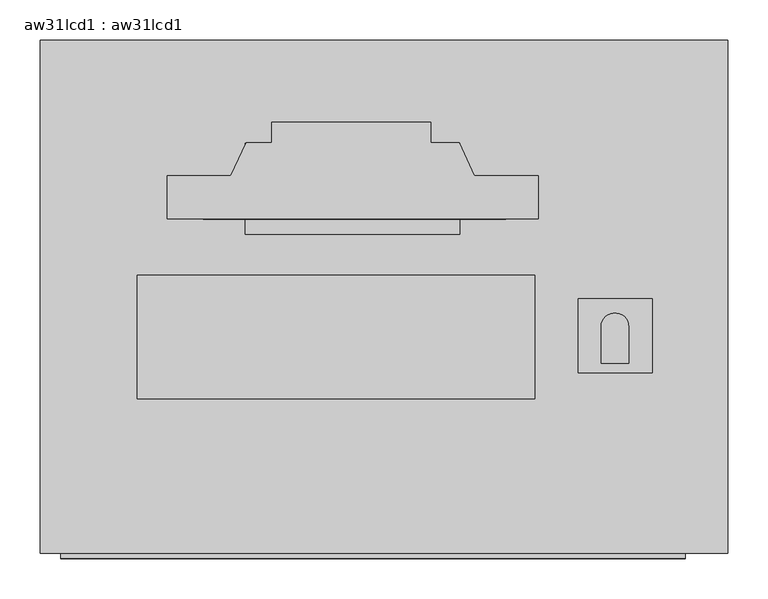
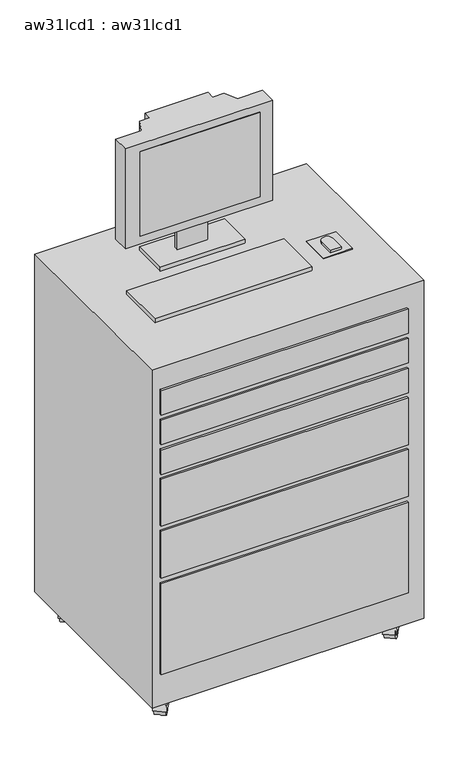
"""IFC4 building model written with IfcOpenShell, lengths in millimetres: proxy geometry, aw31lcd1 : aw31lcd1."""

from ifc_helpers import new_model, si_unit, point, frame, frame_2d, origin, place, context, project, spatial, polyline, circle_curve, trimmed, segment, composite_curve, outline, extrude, faceted_brep, source, transform, mapped, element, save


def aw31lcd1_aw31lcd1_875e6ec7(model_context):
    return source(origin(), model_context, "Body", "SolidModel", [
        extrude(outline(polyline([(11.3204069, -2.1499254), (385.9704069, -2.1499254), (385.9704069, -5.476148), (11.3204069, -5.476148), (11.3204069, -2.1499254)])), frame((0.0, 0.0, 1278.3308248), z_axis=(0.0, 0.0, 1.0), x_axis=(1.0, 0.0, 0.0)), (0.0, 0.0, 1.0), 279.4),
        extrude(outline(polyline([(11.3204069, 10.9978045), (385.9704069, 10.9978045), (385.9704069, 3.998727), (11.3204069, 3.998727), (11.3204069, 10.9978045)])), frame((0.0, 0.0, 1278.3308248), z_axis=(0.0, 0.0, 1.0), x_axis=(1.0, 0.0, 0.0)), (0.0, 0.0, 1.0), 279.4),
        extrude(outline(polyline([(566.8529791, -103.6582011), (566.8529791, -195.5987822), (475.4784271, -195.5987822), (475.4784271, -103.6582011), (566.8529791, -103.6582011)])), frame((0.0, 0.0, 1155.7), z_axis=(0.0, 0.0, 1.0), x_axis=(1.0, 0.0, 0.0)), (0.0, 0.0, 1.0), 2.9133962),
        extrude(outline(composite_curve([segment(trimmed(circle_curve(frame_2d((520.8651108, -138.5749128)), 17.0826805), [point((503.7824304, -138.5749128))], [point((537.9477913, -138.5749128))], False, "CARTESIAN"), True, "CONTINUOUS"), segment(polyline([(537.9477913, -138.5749128), (537.9477913, -183.8689655), (503.7824304, -183.8689655), (503.7824304, -138.5749128)]), True, "CONTINUOUS")], self_intersect=False)), frame((0.0, 0.0, 1158.6133962), z_axis=(0.0, 0.0, 1.0), x_axis=(1.0, 0.0, 0.0)), (0.0, 0.0, 1.0), 9.3019768),
        extrude(outline(polyline([(421.683969, -227.6226119), (-70.2947271, -227.6226119), (-70.2947271, -74.6176866), (421.683969, -74.6176866), (421.683969, -227.6226119)])), frame((0.0, 0.0, 1155.7), z_axis=(0.0, 0.0, 1.0), x_axis=(1.0, 0.0, 0.0)), (0.0, 0.0, 1.0), 12.2153731),
        extrude(outline(polyline([(328.9761644, -24.13), (63.4041467, -24.13), (63.4041467, 88.3361171), (328.9761644, 88.3361171), (328.9761644, -24.13)])), frame((0.0, 0.0, 1155.7), z_axis=(0.0, 0.0, 1.0), x_axis=(1.0, 0.0, 0.0)), (0.0, 0.0, 1.0), 12.2153731),
        extrude(outline(polyline([(240.0761644, 24.8549459), (144.8261644, 24.8549459), (144.8261644, 37.5361171), (240.0761644, 37.5361171), (240.0761644, 24.8549459)])), frame((0.0, 0.0, 1167.9153731), z_axis=(0.0, 0.0, 1.0), x_axis=(1.0, 0.0, 0.0)), (0.0, 0.0, 1.0), 83.6809533),
        extrude(outline(polyline([(-33.6750377, -5.08), (-33.6750377, 48.26), (45.4860159, 48.26), (64.4367591, 88.9), (95.8649623, 88.9), (95.8649623, 114.3), (292.7149623, 114.3), (292.7149623, 88.9), (327.9531654, 88.9), (346.9039086, 48.26), (426.0649623, 48.26), (426.0649623, -5.08), (-33.6750377, -5.08)])), frame((0.0, 0.0, 1251.5963264), z_axis=(0.0, 0.0, 1.0), x_axis=(1.0, 0.0, 0.0)), (0.0, 0.0, 1.0), 330.8236736),
        extrude(outline(composite_curve([segment(trimmed(circle_curve(frame_2d((0.0, -25.7612182)), 25.7612183), [point((0.0, -51.5224365))], [point((0.0, 0.0))], False, "CARTESIAN"), True, "CONTINUOUS"), segment(trimmed(circle_curve(frame_2d((0.0, -25.7612182)), 25.7612183), [point((0.0, 0.0))], [point((0.0, -51.5224365))], False, "CARTESIAN"), True, "CONTINUOUS")], self_intersect=False)), frame((-98.5794195, 161.7340806, -13.9262817), z_axis=(-0.7771459614569454, 0.6293203910498689, 0.0), x_axis=(0.0, 0.0, 1.0)), (0.0, 0.0, 1.0), 31.75),
        extrude(outline(composite_curve([segment(polyline([(-57.1058785, 0.0), (-0.6783151, 0.0)]), True, "CONTINUOUS"), segment(trimmed(circle_curve(frame_2d((-28.8920967, 0.0)), 28.2137817), [point((-0.6783151, 0.0))], [point((-57.1058785, 0.0))], False, "CARTESIAN"), True, "CONTINUOUS")], self_intersect=False)), frame((-94.1416554, 162.1691379, -13.9262817), z_axis=(-0.7771459614569454, 0.6293203910498689, 0.0), x_axis=(0.6293203910498689, 0.7771459614569454, 0.0)), (0.0, 0.0, 1.0), 38.1),
        extrude(outline(composite_curve([segment(trimmed(circle_curve(frame_2d((-127.1280789, 151.7038351)), 3.5091751), [point((-129.8552201, 153.9122305))], [point((-124.4009376, 149.4954397))], False, "CARTESIAN"), True, "CONTINUOUS"), segment(trimmed(circle_curve(frame_2d((-127.1280789, 151.7038351)), 3.5091751), [point((-124.4009376, 149.4954397))], [point((-129.8552201, 153.9122305))], False, "CARTESIAN"), True, "CONTINUOUS")], self_intersect=False)), frame((0.0, 0.0, 14.2875), z_axis=(0.0, 0.0, 1.0), x_axis=(1.0, 0.0, 0.0)), (0.0, 0.0, 1.0), 13.49375),
        extrude(outline(composite_curve([segment(trimmed(circle_curve(frame_2d((0.0, -25.7612182)), 25.7612183), [point((0.0, -51.5224365))], [point((0.0, 0.0))], False, "CARTESIAN"), True, "CONTINUOUS"), segment(trimmed(circle_curve(frame_2d((0.0, -25.7612182)), 25.7612183), [point((0.0, 0.0))], [point((0.0, -51.5224365))], False, "CARTESIAN"), True, "CONTINUOUS")], self_intersect=False)), frame((-96.651196, -345.2878507, -13.9262817), z_axis=(-0.7771459614569454, 0.6293203910498689, 0.0), x_axis=(0.0, 0.0, 1.0)), (0.0, 0.0, 1.0), 31.75),
        extrude(outline(composite_curve([segment(polyline([(-57.1058784, 0.0), (-0.6783149, 0.0)]), True, "CONTINUOUS"), segment(trimmed(circle_curve(frame_2d((-28.8920967, 0.0)), 28.2137817), [point((-0.6783149, 0.0))], [point((-57.1058784, 0.0))], False, "CARTESIAN"), True, "CONTINUOUS")], self_intersect=False)), frame((-92.2134319, -344.8527934, -13.9262817), z_axis=(-0.7771459614569454, 0.6293203910498689, 0.0), x_axis=(0.6293203910498689, 0.7771459614569454, 0.0)), (0.0, 0.0, 1.0), 38.1),
        extrude(outline(composite_curve([segment(trimmed(circle_curve(frame_2d((-125.1998553, -355.3180962)), 3.5091751), [point((-127.9269966, -353.1097007))], [point((-122.4727141, -357.5264916))], False, "CARTESIAN"), True, "CONTINUOUS"), segment(trimmed(circle_curve(frame_2d((-125.1998553, -355.3180962)), 3.5091751), [point((-122.4727141, -357.5264916))], [point((-127.9269966, -353.1097007))], False, "CARTESIAN"), True, "CONTINUOUS")], self_intersect=False)), frame((0.0, 0.0, 14.2875), z_axis=(0.0, 0.0, 1.0), x_axis=(1.0, 0.0, 0.0)), (0.0, 0.0, 1.0), 13.49375),
        extrude(outline(composite_curve([segment(trimmed(circle_curve(frame_2d((0.0, -25.7612183)), 25.7612183), [point((0.0, -51.5224365))], [point((0.0, 0.0))], False, "CARTESIAN"), True, "CONTINUOUS"), segment(trimmed(circle_curve(frame_2d((0.0, -25.7612183)), 25.7612183), [point((0.0, 0.0))], [point((0.0, -51.5224365))], False, "CARTESIAN"), True, "CONTINUOUS")], self_intersect=False)), frame((626.43263, 162.799051, -13.9262817), z_axis=(-0.7771459614569454, 0.6293203910498689, 0.0), x_axis=(0.0, 0.0, 1.0)), (0.0, 0.0, 1.0), 31.75),
        extrude(outline(composite_curve([segment(polyline([(-57.1058785, 0.0), (-0.678315, 0.0)]), True, "CONTINUOUS"), segment(trimmed(circle_curve(frame_2d((-28.8920967, 0.0)), 28.2137817), [point((-0.678315, 0.0))], [point((-57.1058785, 0.0))], False, "CARTESIAN"), True, "CONTINUOUS")], self_intersect=False)), frame((630.8703941, 163.2341083, -13.9262817), z_axis=(-0.7771459614569455, 0.6293203910498689, 0.0), x_axis=(0.6293203910498689, 0.7771459614569455, 0.0)), (0.0, 0.0, 1.0), 38.1),
        extrude(outline(composite_curve([segment(trimmed(circle_curve(frame_2d((597.8839706, 152.7688055)), 3.5091751), [point((595.1568293, 154.977201))], [point((600.6111119, 150.5604101))], False, "CARTESIAN"), True, "CONTINUOUS"), segment(trimmed(circle_curve(frame_2d((597.8839706, 152.7688055)), 3.5091751), [point((600.6111119, 150.5604101))], [point((595.1568293, 154.977201))], False, "CARTESIAN"), True, "CONTINUOUS")], self_intersect=False)), frame((0.0, 0.0, 14.2875), z_axis=(0.0, 0.0, 1.0), x_axis=(1.0, 0.0, 0.0)), (0.0, 0.0, 1.0), 13.49375),
        extrude(outline(composite_curve([segment(trimmed(circle_curve(frame_2d((0.0, -25.7612183)), 25.7612183), [point((0.0, -51.5224365))], [point((0.0, 0.0))], False, "CARTESIAN"), True, "CONTINUOUS"), segment(trimmed(circle_curve(frame_2d((0.0, -25.7612183)), 25.7612183), [point((0.0, 0.0))], [point((0.0, -51.5224365))], False, "CARTESIAN"), True, "CONTINUOUS")], self_intersect=False)), frame((626.43263, 162.799051, -13.9262817), z_axis=(-0.7771459614569454, 0.6293203910498689, 0.0), x_axis=(0.0, 0.0, 1.0)), (0.0, 0.0, 1.0), 31.75),
        extrude(outline(composite_curve([segment(polyline([(-57.1058785, 0.0), (-0.678315, 0.0)]), True, "CONTINUOUS"), segment(trimmed(circle_curve(frame_2d((-28.8920967, 0.0)), 28.2137817), [point((-0.678315, 0.0))], [point((-57.1058785, 0.0))], False, "CARTESIAN"), True, "CONTINUOUS")], self_intersect=False)), frame((630.8703941, 163.2341083, -13.9262817), z_axis=(-0.7771459614569455, 0.6293203910498689, 0.0), x_axis=(0.6293203910498689, 0.7771459614569455, 0.0)), (0.0, 0.0, 1.0), 38.1),
        extrude(outline(composite_curve([segment(trimmed(circle_curve(frame_2d((597.8839706, 152.7688055)), 3.5091751), [point((595.1568293, 154.977201))], [point((600.6111119, 150.5604101))], False, "CARTESIAN"), True, "CONTINUOUS"), segment(trimmed(circle_curve(frame_2d((597.8839706, 152.7688055)), 3.5091751), [point((600.6111119, 150.5604101))], [point((595.1568293, 154.977201))], False, "CARTESIAN"), True, "CONTINUOUS")], self_intersect=False)), frame((0.0, 0.0, 14.2875), z_axis=(0.0, 0.0, 1.0), x_axis=(1.0, 0.0, 0.0)), (0.0, 0.0, 1.0), 13.49375),
        extrude(outline(composite_curve([segment(trimmed(circle_curve(frame_2d((0.0, -25.7612183)), 25.7612183), [point((0.0, -51.5224365))], [point((0.0, 0.0))], False, "CARTESIAN"), True, "CONTINUOUS"), segment(trimmed(circle_curve(frame_2d((0.0, -25.7612183)), 25.7612183), [point((0.0, 0.0))], [point((0.0, -51.5224365))], False, "CARTESIAN"), True, "CONTINUOUS")], self_intersect=False)), frame((624.84513, -343.613449, -13.9262817), z_axis=(-0.7771459614569454, 0.6293203910498689, 0.0), x_axis=(0.0, 0.0, 1.0)), (0.0, 0.0, 1.0), 31.75),
        extrude(outline(composite_curve([segment(polyline([(-57.1058785, 0.0), (-0.678315, 0.0)]), True, "CONTINUOUS"), segment(trimmed(circle_curve(frame_2d((-28.8920967, 0.0)), 28.2137817), [point((-0.678315, 0.0))], [point((-57.1058785, 0.0))], False, "CARTESIAN"), True, "CONTINUOUS")], self_intersect=False)), frame((629.2828941, -343.1783917, -13.9262817), z_axis=(-0.7771459614569454, 0.6293203910498689, 0.0), x_axis=(0.6293203910498689, 0.7771459614569454, 0.0)), (0.0, 0.0, 1.0), 38.1),
        extrude(outline(composite_curve([segment(trimmed(circle_curve(frame_2d((596.2964706, -353.6436945)), 3.5091751), [point((593.5693293, -351.435299))], [point((599.0236119, -355.8520899))], False, "CARTESIAN"), True, "CONTINUOUS"), segment(trimmed(circle_curve(frame_2d((596.2964706, -353.6436945)), 3.5091751), [point((599.0236119, -355.8520899))], [point((593.5693293, -351.435299))], False, "CARTESIAN"), True, "CONTINUOUS")], self_intersect=False)), frame((0.0, 0.0, 14.2875), z_axis=(0.0, 0.0, 1.0), x_axis=(1.0, 0.0, 0.0)), (0.0, 0.0, 1.0), 13.49375),
        extrude(outline(polyline([(-165.1, -419.1), (608.0784825, -419.1), (608.0784825, -425.45), (-165.1, -425.45), (-165.1, -419.1)])), frame((0.0, 0.0, 463.55), z_axis=(0.0, 0.0, 1.0), x_axis=(1.0, 0.0, 0.0)), (0.0, 0.0, 1.0), 155.3345142),
        extrude(outline(polyline([(-165.1, -419.1), (608.0784825, -419.1), (608.0784825, -425.45), (-165.1, -425.45), (-165.1, -419.1)])), frame((0.0, 0.0, 806.45), z_axis=(0.0, 0.0, 1.0), x_axis=(1.0, 0.0, 0.0)), (0.0, 0.0, 1.0), 80.8645528),
        extrude(outline(polyline([(-165.1, -419.1), (608.0784825, -419.1), (608.0784825, -425.45), (-165.1, -425.45), (-165.1, -419.1)])), frame((0.0, 0.0, 904.875), z_axis=(0.0, 0.0, 1.0), x_axis=(1.0, 0.0, 0.0)), (0.0, 0.0, 1.0), 80.8645528),
        extrude(outline(polyline([(-165.1, -419.1), (608.0784825, -419.1), (608.0784825, -425.45), (-165.1, -425.45), (-165.1, -419.1)])), frame((0.0, 0.0, 1003.3), z_axis=(0.0, 0.0, 1.0), x_axis=(1.0, 0.0, 0.0)), (0.0, 0.0, 1.0), 80.8645528),
        extrude(outline(polyline([(-165.1, -419.1), (608.0784825, -419.1), (608.0784825, -425.45), (-165.1, -425.45), (-165.1, -419.1)])), frame((0.0, 0.0, 635.0), z_axis=(0.0, 0.0, 1.0), x_axis=(1.0, 0.0, 0.0)), (0.0, 0.0, 1.0), 155.3345142),
        extrude(outline(polyline([(608.0784825, -425.45), (-165.1, -425.45), (-165.1, -419.1), (608.0784825, -419.1), (608.0784825, -425.45)])), frame((0.0, 0.0, 144.62025), z_axis=(0.0, 0.0, 1.0), x_axis=(1.0, 0.0, 0.0)), (0.0, 0.0, 1.0), 299.87975),
        faceted_brep([(584.2, -368.3, 38.1), (609.6, -368.3, 38.1), (609.6, -342.9, 38.1), (584.2, -342.9, 38.1), (590.55, -361.95, 25.4), (590.55, -349.25, 25.4), (603.25, -349.25, 25.4), (603.25, -361.95, 25.4)], [[[0, 1, 2, 3]], [[4, 5, 6, 7]], [[4, 7, 1, 0]], [[7, 6, 2, 1]], [[6, 5, 3, 2]], [[5, 4, 0, 3]]]),
        faceted_brep([(-114.3, -368.3, 38.1), (-114.3, -342.9, 38.1), (-139.7, -342.9, 38.1), (-139.7, -368.3, 38.1), (-120.65, -361.95, 25.4), (-133.35, -361.95, 25.4), (-133.35, -349.25, 25.4), (-120.65, -349.25, 25.4)], [[[0, 1, 2, 3]], [[4, 5, 6, 7]], [[4, 7, 1, 0]], [[7, 6, 2, 1]], [[6, 5, 3, 2]], [[5, 4, 0, 3]]]),
        faceted_brep([(584.2, 165.1, 38.1), (584.2, 139.7, 38.1), (609.6, 139.7, 38.1), (609.6, 165.1, 38.1), (590.55, 158.75, 25.4), (603.25, 158.75, 25.4), (603.25, 146.05, 25.4), (590.55, 146.05, 25.4)], [[[0, 1, 2, 3]], [[4, 5, 6, 7]], [[4, 7, 1, 0]], [[7, 6, 2, 1]], [[6, 5, 3, 2]], [[5, 4, 0, 3]]]),
        faceted_brep([(-114.3, 165.1, 38.1), (-139.7, 165.1, 38.1), (-139.7, 139.7, 38.1), (-114.3, 139.7, 38.1), (-120.65, 158.75, 25.4), (-120.65, 146.05, 25.4), (-133.35, 146.05, 25.4), (-133.35, 158.75, 25.4)], [[[0, 1, 2, 3]], [[4, 5, 6, 7]], [[4, 7, 1, 0]], [[7, 6, 2, 1]], [[6, 5, 3, 2]], [[5, 4, 0, 3]]]),
        extrude(outline(polyline([(660.4, -419.1), (-190.5, -419.1), (-190.5, 215.9), (660.4, 215.9), (660.4, -419.1)])), frame((0.0, 0.0, 38.1), z_axis=(0.0, 0.0, 1.0), x_axis=(1.0, 0.0, 0.0)), (0.0, 0.0, 1.0), 1117.6),
    ])


if __name__ == "__main__":
    model = new_model("IFC4")
    model_context = context("Model", 3, world=origin())
    ifc_project = project(units=[si_unit("LENGTHUNIT", "METRE", prefix="MILLI")], contexts=[model_context])
    site = spatial("IfcSite", under=ifc_project)
    building = spatial("IfcBuilding", under=site)
    placement = place(None, origin())
    aw31lcd1_aw31lcd1_shape = aw31lcd1_aw31lcd1_875e6ec7(model_context)
    element("IfcBuildingElementProxy", 1, Name="aw31lcd1 : aw31lcd1", ObjectType="aw31lcd1 : aw31lcd1", at=placement, inside=building, context=model_context, shape_type="MappedRepresentation", body=[
        mapped(aw31lcd1_aw31lcd1_shape, transform((0.0, 0.0, 0.0), x_axis=(1.0, 0.0, 0.0), y_axis=(0.0, 1.0, 0.0), z_axis=(0.0, 0.0, 1.0))),
    ])
    save(model, "model.ifc")
